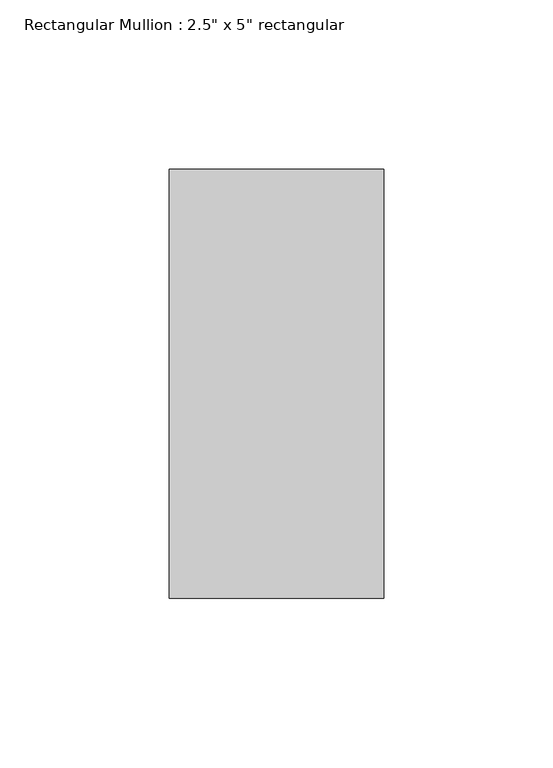
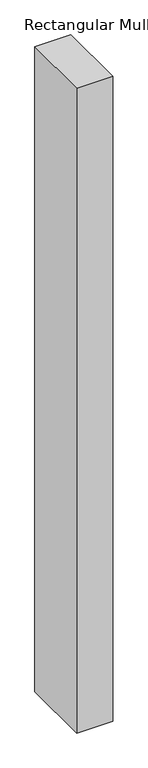
"""IFC4 building model written with IfcOpenShell, lengths in millimetres: member geometry."""

import ifcopenshell
import ifcopenshell.guid

model = None  # the IFC model being written
_history = None  # IfcOwnerHistory: only IFC2X3 demands one
_inside = {}  # id of a spatial element -> (the spatial element, [elements in it])
_under = {}  # id of a project, library or spatial element -> (it, [spatial elements below it])
_declared = {}  # id of a project -> (the project, [libraries it declares])
_typed = {}  # id of a type object -> (the type object, [elements of that type])
_made_of = {}  # id of a material, layer set ... -> (it, [elements and type objects made of it])


def new_model(schema):
    """Start an empty IFC model of exactly this schema.

    Asked for "IFC4X3", IfcOpenShell would pick the latest addendum, in which some entities
    have other attributes; the version numbers below select the first issue.
    IFC2X3 requires an IfcOwnerHistory on every rooted entity: one is made here for all.
    """
    global model, _history
    if schema == "IFC4X3":
        model = ifcopenshell.file(schema_version=(4, 3, 0, 0))
    else:
        model = ifcopenshell.file(schema=schema)
    _inside.clear()
    _under.clear()
    _declared.clear()
    _typed.clear()
    _made_of.clear()
    _history = None
    if model.schema == "IFC2X3":
        org = make("IfcOrganization", Name="unknown")
        user = make(
            "IfcPersonAndOrganization",
            ThePerson=make("IfcPerson", FamilyName="unknown"),
            TheOrganization=org,
        )
        app = make(
            "IfcApplication",
            ApplicationDeveloper=org,
            Version="unknown",
            ApplicationFullName="unknown",
            ApplicationIdentifier="unknown",
        )
        _history = make(
            "IfcOwnerHistory",
            OwningUser=user,
            OwningApplication=app,
            ChangeAction="ADDED",
            CreationDate=0,
        )
    return model


def make(cls, **values):
    """One entity of the class cls with the attributes given. An attribute that is None is left unset."""
    return model.create_entity(
        cls, **{name: value for name, value in values.items() if value is not None}
    )


def rooted(cls, **values):
    """An entity with a GlobalId (a new one), such as an element, a storey or a relation."""
    return make(cls, GlobalId=ifcopenshell.guid.new(), OwnerHistory=_history, **values)


def si_unit(unit_type, name, prefix=None):
    """IfcSIUnit, for example si_unit("LENGTHUNIT", "METRE", prefix="MILLI")."""
    return make("IfcSIUnit", UnitType=unit_type, Prefix=prefix, Name=name)


def assignment(units):
    """IfcUnitAssignment: the units of a project."""
    return None if units is None else make("IfcUnitAssignment", Units=units)


def point(xyz):
    """IfcCartesianPoint."""
    return None if xyz is None else make("IfcCartesianPoint", Coordinates=xyz)


def direction(xyz):
    """IfcDirection."""
    return None if xyz is None else make("IfcDirection", DirectionRatios=xyz)


def frame(location, z_axis=None, x_axis=None):
    """IfcAxis2Placement3D, a coordinate frame: its origin and axes. An axis left out is left unset."""
    return make(
        "IfcAxis2Placement3D",
        Location=point(location),
        Axis=direction(z_axis),
        RefDirection=direction(x_axis),
    )


def origin():
    """The frame at (0, 0, 0) with its axes left unset."""
    return frame((0.0, 0.0, 0.0))


def place(relative_to, where):
    """IfcLocalPlacement: puts the frame where relative to a parent placement (None: the world)."""
    return make(
        "IfcLocalPlacement", PlacementRelTo=relative_to, RelativePlacement=where
    )


def context(
    kind, dimensions, precision=None, world=None, true_north=None, identifier=None
):
    """IfcGeometricRepresentationContext, for example the 3D "Model" context."""
    return make(
        "IfcGeometricRepresentationContext",
        ContextIdentifier=identifier,
        ContextType=kind,
        CoordinateSpaceDimension=dimensions,
        Precision=precision,
        WorldCoordinateSystem=world,
        TrueNorth=true_north,
    )


def project(units=None, contexts=None):
    """IfcProject with its units and contexts."""
    return rooted(
        "IfcProject",
        Name="project",
        RepresentationContexts=contexts,
        UnitsInContext=assignment(units),
    )


def spatial(cls, under=None, at=None, **own):
    """A site, building, storey or space (cls), placed at a placement, below another one or the project."""
    s = rooted(cls, ObjectPlacement=at, **own)
    if under is not None:
        _under.setdefault(under.id(), (under, []))[1].append(s)
    return s


def polyline(points):
    """IfcPolyline through the points."""
    return make("IfcPolyline", Points=[point(p) for p in points])


def outline(outer, holes=None, kind="AREA"):
    """IfcArbitraryClosedProfileDef: a profile drawn as a closed curve; with holes, ...WithVoids."""
    if holes is None:
        return make("IfcArbitraryClosedProfileDef", ProfileType=kind, OuterCurve=outer)
    return make(
        "IfcArbitraryProfileDefWithVoids",
        ProfileType=kind,
        OuterCurve=outer,
        InnerCurves=holes,
    )


def extrude(swept, where, along, depth):
    """IfcExtrudedAreaSolid: the profile swept, set in the frame where, extruded along a direction by depth."""
    return make(
        "IfcExtrudedAreaSolid",
        SweptArea=swept,
        Position=where,
        ExtrudedDirection=direction(along),
        Depth=depth,
    )


def shape(context_of_items, identifier, shape_type, items):
    """IfcShapeRepresentation: the items that make up one representation, for example the "Body"."""
    return make(
        "IfcShapeRepresentation",
        ContextOfItems=context_of_items,
        RepresentationIdentifier=identifier,
        RepresentationType=shape_type,
        Items=items,
    )


def source(mapping_origin, context_of_items, identifier, shape_type, items):
    """IfcRepresentationMap: a shape defined once, which mapped items show again and again."""
    return make(
        "IfcRepresentationMap",
        MappingOrigin=mapping_origin,
        MappedRepresentation=shape(context_of_items, identifier, shape_type, items),
    )


def transform(
    local_origin,
    x_axis=None,
    y_axis=None,
    z_axis=None,
    scale=None,
    scale2=None,
    scale3=None,
    uniform=True,
):
    """IfcCartesianTransformationOperator3D, or its non-uniform kind. x_axis, y_axis, z_axis: its Axis1, 2, 3."""
    if uniform:
        return make(
            "IfcCartesianTransformationOperator3D",
            Axis1=direction(x_axis),
            Axis2=direction(y_axis),
            LocalOrigin=point(local_origin),
            Scale=scale,
            Axis3=direction(z_axis),
        )
    return make(
        "IfcCartesianTransformationOperator3DnonUniform",
        Axis1=direction(x_axis),
        Axis2=direction(y_axis),
        LocalOrigin=point(local_origin),
        Scale=scale,
        Axis3=direction(z_axis),
        Scale2=scale2,
        Scale3=scale3,
    )


def mapped(mapping_source, mapping_target):
    """IfcMappedItem: shows the shape of a source again, moved by a transform."""
    return make(
        "IfcMappedItem", MappingSource=mapping_source, MappingTarget=mapping_target
    )


def made_of(thing, what):
    """Note that an element or type object is made of a material, layer set ...; save() writes the relation."""
    if what is not None:
        _made_of.setdefault(what.id(), (what, []))[1].append(thing)
    return thing


def element(
    cls,
    number,
    at=None,
    inside=None,
    cuts=None,
    type_object=None,
    material=None,
    context=None,
    identifier="Body",
    shape_type=None,
    held_by="IfcProductDefinitionShape",
    body=None,
    shapes=None,
    **own,
):
    """One element of the class cls, such as IfcWall. Its Tag is "e" and its number.

    at: its placement. inside: the storey or other place that contains it. cuts: it is an
    opening in that element (IfcRelVoidsElement). A single representation is given by context,
    identifier, shape_type and body (its items); several are given by shapes. held_by: the class
    of the entity that holds the representations. save() writes the other relations.
    """
    e = rooted(cls, Tag="e%d" % number, ObjectPlacement=at, **own)
    if body is not None:
        shapes = [shape(context, identifier, shape_type, body)]
    if shapes is not None:
        e.Representation = make(held_by, Representations=shapes)
    if inside is not None:
        _inside.setdefault(inside.id(), (inside, []))[1].append(e)
    if cuts is not None:
        rooted(
            "IfcRelVoidsElement", RelatingBuildingElement=cuts, RelatedOpeningElement=e
        )
    if type_object is not None:
        _typed.setdefault(type_object.id(), (type_object, []))[1].append(e)
    return made_of(e, material)


def aggregate(whole, parts):
    """IfcRelAggregates: a whole, such as a stair, and the parts it consists of."""
    return rooted("IfcRelAggregates", RelatingObject=whole, RelatedObjects=parts)


def save(model, path):
    """Write the relations noted so far, then the file.

    IfcRelAggregates (storeys below a building ...), IfcRelContainedInSpatialStructure (elements
    in a storey), IfcRelDefinesByType, IfcRelAssociatesMaterial and IfcRelDeclares: one each for
    every whole, place, type object, material and project.
    """
    for whole, parts in _under.values():
        aggregate(whole, parts)
    for where, things in _inside.values():
        rooted(
            "IfcRelContainedInSpatialStructure",
            RelatedElements=things,
            RelatingStructure=where,
        )
    for kind, things in _typed.values():
        rooted("IfcRelDefinesByType", RelatedObjects=things, RelatingType=kind)
    for what, things in _made_of.values():
        rooted("IfcRelAssociatesMaterial", RelatedObjects=things, RelatingMaterial=what)
    for by, libraries in _declared.values():
        rooted("IfcRelDeclares", RelatingContext=by, RelatedDefinitions=libraries)
    model.write(path)


def member_33fd05ac(model_context):
    return source(origin(), model_context, "Body", "SweptSolid", [
        extrude(outline(polyline([(31.75, 63.5), (31.75, -63.5), (-31.75, -63.5), (-31.75, 63.5), (31.75, 63.5)])), frame((0.0, 0.0, -1200.0), z_axis=(0.0, 0.0, 1.0), x_axis=(1.0, 0.0, 0.0)), (0.0, 0.0, 1.0), 1200.0),
    ])


if __name__ == "__main__":
    model = new_model("IFC4")
    model_context = context("Model", 3, world=origin())
    ifc_project = project(units=[si_unit("LENGTHUNIT", "METRE", prefix="MILLI")], contexts=[model_context])
    site = spatial("IfcSite", under=ifc_project)
    building = spatial("IfcBuilding", under=site)
    placement = place(None, origin())
    member_shape = member_33fd05ac(model_context)
    element("IfcMember", 1, ObjectType="Rectangular Mullion : 2.5\" x 5\" rectangular", at=placement, inside=building, context=model_context, shape_type="MappedRepresentation", body=[
        mapped(member_shape, transform((0.0, 0.0, 0.0), x_axis=(1.0, 0.0, 0.0), y_axis=(0.0, 1.0, 0.0), z_axis=(0.0, 0.0, 1.0))),
    ])
    save(model, "model.ifc")
